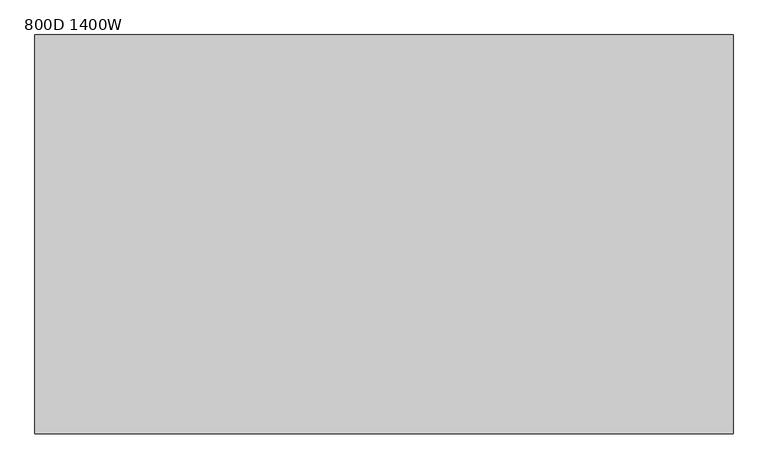
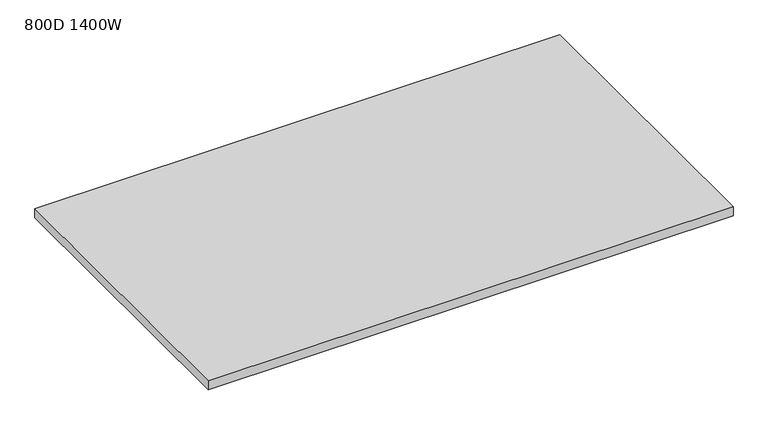
"""IFC4 building model written with IfcOpenShell, lengths in millimetres: furniture geometry, 800D 1400W."""

import ifcopenshell
import ifcopenshell.guid

model = None  # the IFC model being written
_history = None  # IfcOwnerHistory: only IFC2X3 demands one
_inside = {}  # id of a spatial element -> (the spatial element, [elements in it])
_under = {}  # id of a project, library or spatial element -> (it, [spatial elements below it])
_declared = {}  # id of a project -> (the project, [libraries it declares])
_typed = {}  # id of a type object -> (the type object, [elements of that type])
_made_of = {}  # id of a material, layer set ... -> (it, [elements and type objects made of it])


def new_model(schema):
    """Start an empty IFC model of exactly this schema.

    Asked for "IFC4X3", IfcOpenShell would pick the latest addendum, in which some entities
    have other attributes; the version numbers below select the first issue.
    IFC2X3 requires an IfcOwnerHistory on every rooted entity: one is made here for all.
    """
    global model, _history
    if schema == "IFC4X3":
        model = ifcopenshell.file(schema_version=(4, 3, 0, 0))
    else:
        model = ifcopenshell.file(schema=schema)
    _inside.clear()
    _under.clear()
    _declared.clear()
    _typed.clear()
    _made_of.clear()
    _history = None
    if model.schema == "IFC2X3":
        org = make("IfcOrganization", Name="unknown")
        user = make(
            "IfcPersonAndOrganization",
            ThePerson=make("IfcPerson", FamilyName="unknown"),
            TheOrganization=org,
        )
        app = make(
            "IfcApplication",
            ApplicationDeveloper=org,
            Version="unknown",
            ApplicationFullName="unknown",
            ApplicationIdentifier="unknown",
        )
        _history = make(
            "IfcOwnerHistory",
            OwningUser=user,
            OwningApplication=app,
            ChangeAction="ADDED",
            CreationDate=0,
        )
    return model


def make(cls, **values):
    """One entity of the class cls with the attributes given. An attribute that is None is left unset."""
    return model.create_entity(
        cls, **{name: value for name, value in values.items() if value is not None}
    )


def rooted(cls, **values):
    """An entity with a GlobalId (a new one), such as an element, a storey or a relation."""
    return make(cls, GlobalId=ifcopenshell.guid.new(), OwnerHistory=_history, **values)


def si_unit(unit_type, name, prefix=None):
    """IfcSIUnit, for example si_unit("LENGTHUNIT", "METRE", prefix="MILLI")."""
    return make("IfcSIUnit", UnitType=unit_type, Prefix=prefix, Name=name)


def assignment(units):
    """IfcUnitAssignment: the units of a project."""
    return None if units is None else make("IfcUnitAssignment", Units=units)


def point(xyz):
    """IfcCartesianPoint."""
    return None if xyz is None else make("IfcCartesianPoint", Coordinates=xyz)


def direction(xyz):
    """IfcDirection."""
    return None if xyz is None else make("IfcDirection", DirectionRatios=xyz)


def frame(location, z_axis=None, x_axis=None):
    """IfcAxis2Placement3D, a coordinate frame: its origin and axes. An axis left out is left unset."""
    return make(
        "IfcAxis2Placement3D",
        Location=point(location),
        Axis=direction(z_axis),
        RefDirection=direction(x_axis),
    )


def origin():
    """The frame at (0, 0, 0) with its axes left unset."""
    return frame((0.0, 0.0, 0.0))


def place(relative_to, where):
    """IfcLocalPlacement: puts the frame where relative to a parent placement (None: the world)."""
    return make(
        "IfcLocalPlacement", PlacementRelTo=relative_to, RelativePlacement=where
    )


def context(
    kind, dimensions, precision=None, world=None, true_north=None, identifier=None
):
    """IfcGeometricRepresentationContext, for example the 3D "Model" context."""
    return make(
        "IfcGeometricRepresentationContext",
        ContextIdentifier=identifier,
        ContextType=kind,
        CoordinateSpaceDimension=dimensions,
        Precision=precision,
        WorldCoordinateSystem=world,
        TrueNorth=true_north,
    )


def project(units=None, contexts=None):
    """IfcProject with its units and contexts."""
    return rooted(
        "IfcProject",
        Name="project",
        RepresentationContexts=contexts,
        UnitsInContext=assignment(units),
    )


def spatial(cls, under=None, at=None, **own):
    """A site, building, storey or space (cls), placed at a placement, below another one or the project."""
    s = rooted(cls, ObjectPlacement=at, **own)
    if under is not None:
        _under.setdefault(under.id(), (under, []))[1].append(s)
    return s


def polyline(points):
    """IfcPolyline through the points."""
    return make("IfcPolyline", Points=[point(p) for p in points])


def outline(outer, holes=None, kind="AREA"):
    """IfcArbitraryClosedProfileDef: a profile drawn as a closed curve; with holes, ...WithVoids."""
    if holes is None:
        return make("IfcArbitraryClosedProfileDef", ProfileType=kind, OuterCurve=outer)
    return make(
        "IfcArbitraryProfileDefWithVoids",
        ProfileType=kind,
        OuterCurve=outer,
        InnerCurves=holes,
    )


def extrude(swept, where, along, depth):
    """IfcExtrudedAreaSolid: the profile swept, set in the frame where, extruded along a direction by depth."""
    return make(
        "IfcExtrudedAreaSolid",
        SweptArea=swept,
        Position=where,
        ExtrudedDirection=direction(along),
        Depth=depth,
    )


def shape(context_of_items, identifier, shape_type, items):
    """IfcShapeRepresentation: the items that make up one representation, for example the "Body"."""
    return make(
        "IfcShapeRepresentation",
        ContextOfItems=context_of_items,
        RepresentationIdentifier=identifier,
        RepresentationType=shape_type,
        Items=items,
    )


def source(mapping_origin, context_of_items, identifier, shape_type, items):
    """IfcRepresentationMap: a shape defined once, which mapped items show again and again."""
    return make(
        "IfcRepresentationMap",
        MappingOrigin=mapping_origin,
        MappedRepresentation=shape(context_of_items, identifier, shape_type, items),
    )


def transform(
    local_origin,
    x_axis=None,
    y_axis=None,
    z_axis=None,
    scale=None,
    scale2=None,
    scale3=None,
    uniform=True,
):
    """IfcCartesianTransformationOperator3D, or its non-uniform kind. x_axis, y_axis, z_axis: its Axis1, 2, 3."""
    if uniform:
        return make(
            "IfcCartesianTransformationOperator3D",
            Axis1=direction(x_axis),
            Axis2=direction(y_axis),
            LocalOrigin=point(local_origin),
            Scale=scale,
            Axis3=direction(z_axis),
        )
    return make(
        "IfcCartesianTransformationOperator3DnonUniform",
        Axis1=direction(x_axis),
        Axis2=direction(y_axis),
        LocalOrigin=point(local_origin),
        Scale=scale,
        Axis3=direction(z_axis),
        Scale2=scale2,
        Scale3=scale3,
    )


def mapped(mapping_source, mapping_target):
    """IfcMappedItem: shows the shape of a source again, moved by a transform."""
    return make(
        "IfcMappedItem", MappingSource=mapping_source, MappingTarget=mapping_target
    )


def made_of(thing, what):
    """Note that an element or type object is made of a material, layer set ...; save() writes the relation."""
    if what is not None:
        _made_of.setdefault(what.id(), (what, []))[1].append(thing)
    return thing


def element(
    cls,
    number,
    at=None,
    inside=None,
    cuts=None,
    type_object=None,
    material=None,
    context=None,
    identifier="Body",
    shape_type=None,
    held_by="IfcProductDefinitionShape",
    body=None,
    shapes=None,
    **own,
):
    """One element of the class cls, such as IfcWall. Its Tag is "e" and its number.

    at: its placement. inside: the storey or other place that contains it. cuts: it is an
    opening in that element (IfcRelVoidsElement). A single representation is given by context,
    identifier, shape_type and body (its items); several are given by shapes. held_by: the class
    of the entity that holds the representations. save() writes the other relations.
    """
    e = rooted(cls, Tag="e%d" % number, ObjectPlacement=at, **own)
    if body is not None:
        shapes = [shape(context, identifier, shape_type, body)]
    if shapes is not None:
        e.Representation = make(held_by, Representations=shapes)
    if inside is not None:
        _inside.setdefault(inside.id(), (inside, []))[1].append(e)
    if cuts is not None:
        rooted(
            "IfcRelVoidsElement", RelatingBuildingElement=cuts, RelatedOpeningElement=e
        )
    if type_object is not None:
        _typed.setdefault(type_object.id(), (type_object, []))[1].append(e)
    return made_of(e, material)


def aggregate(whole, parts):
    """IfcRelAggregates: a whole, such as a stair, and the parts it consists of."""
    return rooted("IfcRelAggregates", RelatingObject=whole, RelatedObjects=parts)


def save(model, path):
    """Write the relations noted so far, then the file.

    IfcRelAggregates (storeys below a building ...), IfcRelContainedInSpatialStructure (elements
    in a storey), IfcRelDefinesByType, IfcRelAssociatesMaterial and IfcRelDeclares: one each for
    every whole, place, type object, material and project.
    """
    for whole, parts in _under.values():
        aggregate(whole, parts)
    for where, things in _inside.values():
        rooted(
            "IfcRelContainedInSpatialStructure",
            RelatedElements=things,
            RelatingStructure=where,
        )
    for kind, things in _typed.values():
        rooted("IfcRelDefinesByType", RelatedObjects=things, RelatingType=kind)
    for what, things in _made_of.values():
        rooted("IfcRelAssociatesMaterial", RelatedObjects=things, RelatingMaterial=what)
    for by, libraries in _declared.values():
        rooted("IfcRelDeclares", RelatingContext=by, RelatedDefinitions=libraries)
    model.write(path)


def furniture_800d_1400w_6a5297b1(model_context):
    return source(origin(), model_context, "Body", "SweptSolid", [
        extrude(outline(polyline([(-700.0, -800.0), (-700.0, 0.0), (700.0, 0.0), (700.0, -800.0), (-700.0, -800.0)])), frame((0.0, 0.0, 715.0), z_axis=(0.0, 0.0, 1.0), x_axis=(1.0, 0.0, 0.0)), (0.0, 0.0, 1.0), 25.0),
    ])


if __name__ == "__main__":
    model = new_model("IFC4")
    model_context = context("Model", 3, world=origin())
    ifc_project = project(units=[si_unit("LENGTHUNIT", "METRE", prefix="MILLI")], contexts=[model_context])
    site = spatial("IfcSite", under=ifc_project)
    building = spatial("IfcBuilding", under=site)
    placement = place(None, origin())
    furniture_800d_1400w_shape = furniture_800d_1400w_6a5297b1(model_context)
    element("IfcFurniture", 1, ObjectType="800D 1400W", at=placement, inside=building, context=model_context, shape_type="MappedRepresentation", body=[
        mapped(furniture_800d_1400w_shape, transform((0.0, 0.0, 0.0), x_axis=(1.0, 0.0, 0.0), y_axis=(0.0, 1.0, 0.0), z_axis=(0.0, 0.0, 1.0))),
    ])
    save(model, "model.ifc")
